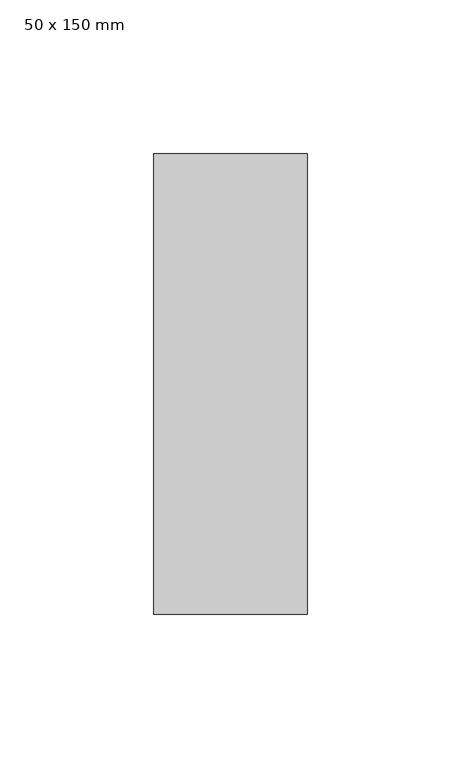
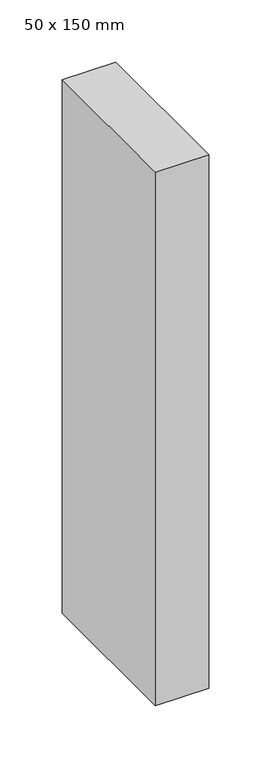
"""IFC4 building model written with IfcOpenShell, lengths in millimetres: member geometry, 50 x 150 mm."""

from ifc_helpers import new_model, si_unit, frame, origin, place, context, project, spatial, polyline, outline, extrude, source, transform, mapped, element, save


def member_50_x_150_mm_5b5377e9(model_context):
    return source(origin(), model_context, "Body", "SweptSolid", [
        extrude(outline(polyline([(0.0, 75.0), (0.0, -75.0), (-50.0, -75.0), (-50.0, 75.0), (0.0, 75.0)])), frame((0.0, 0.0, -525.0), z_axis=(0.0, 0.0, 1.0), x_axis=(1.0, 0.0, 0.0)), (0.0, 0.0, 1.0), 525.0),
    ])


if __name__ == "__main__":
    model = new_model("IFC4")
    model_context = context("Model", 3, world=origin())
    ifc_project = project(units=[si_unit("LENGTHUNIT", "METRE", prefix="MILLI")], contexts=[model_context])
    site = spatial("IfcSite", under=ifc_project)
    building = spatial("IfcBuilding", under=site)
    placement = place(None, origin())
    member_50_x_150_mm_shape = member_50_x_150_mm_5b5377e9(model_context)
    element("IfcMember", 1, ObjectType="50 x 150 mm", at=placement, inside=building, context=model_context, shape_type="MappedRepresentation", body=[
        mapped(member_50_x_150_mm_shape, transform((0.0, 0.0, 0.0), x_axis=(1.0, 0.0, 0.0), y_axis=(0.0, 1.0, 0.0), z_axis=(0.0, 0.0, 1.0))),
    ])
    save(model, "model.ifc")
